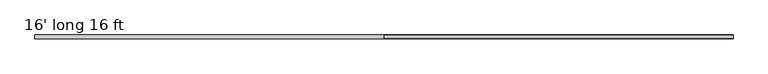
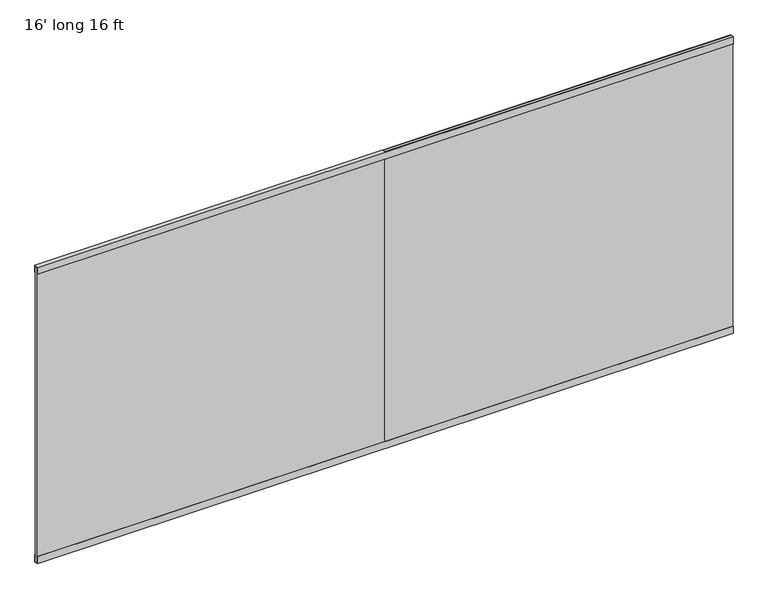
"""IFC4 building model written with IfcOpenShell, lengths in millimetres: furniture geometry, 16' long 16 ft."""

from ifc_helpers import new_model, si_unit, frame, origin, place, context, project, spatial, polyline, outline, extrude, source, transform, mapped, element, save


def furniture_16_long_16_ft_44b84df2(model_context):
    return source(origin(), model_context, "Body", "SweptSolid", [
        extrude(outline(polyline([(0.0, -19.4056), (0.0, 0.0), (2438.4, 0.0), (2438.4, -19.4056), (0.0, -19.4056)])), frame((2438.4, 9.7028, 2.9972), z_axis=(0.0, -2.1727820241093372e-12, 1.0), x_axis=(1.0, 0.0, 0.0)), (0.0, 0.0, 1.0), 2191.5628),
        extrude(outline(polyline([(2438.4, 9.7028), (2438.4, -9.7028), (0.0, -9.7028), (0.0, 9.7028), (2438.4, 9.7028)])), frame((0.0, 0.0, 2.9972), z_axis=(0.0, 0.0, 1.0), x_axis=(1.0, 0.0, 0.0)), (0.0, 0.0, 1.0), 2188.5656),
        extrude(outline(polyline([(-12.7, 2194.56), (12.7, 2194.56), (12.7, 2143.76), (9.7028, 2143.76), (9.7028, 2191.5628), (-9.7028, 2191.5628), (-9.7028, 2143.76), (-12.7, 2143.76), (-12.7, 2194.56)])), frame((0.0, 0.0, 0.0), z_axis=(1.0, 0.0, 0.0), x_axis=(0.0, 1.0, 0.0)), (0.0, 0.0, 1.0), 4876.8),
        extrude(outline(polyline([(-9.7028, 50.8), (-9.7028, 2.9972), (9.7028, 2.9972), (9.7028, 50.8), (12.7, 50.8), (12.7, 0.0), (-12.7, 0.0), (-12.7, 50.8), (-9.7028, 50.8)])), frame((0.0, 0.0, 0.0), z_axis=(1.0, 0.0, 0.0), x_axis=(0.0, 1.0, 0.0)), (0.0, 0.0, 1.0), 4876.8),
    ])


if __name__ == "__main__":
    model = new_model("IFC4")
    model_context = context("Model", 3, world=origin())
    ifc_project = project(units=[si_unit("LENGTHUNIT", "METRE", prefix="MILLI")], contexts=[model_context])
    site = spatial("IfcSite", under=ifc_project)
    building = spatial("IfcBuilding", under=site)
    placement = place(None, origin())
    furniture_16_long_16_ft_shape = furniture_16_long_16_ft_44b84df2(model_context)
    element("IfcFurniture", 1, ObjectType="16' long 16 ft", at=placement, inside=building, context=model_context, shape_type="MappedRepresentation", body=[
        mapped(furniture_16_long_16_ft_shape, transform((0.0, 0.0, 0.0), x_axis=(1.0, 0.0, 0.0), y_axis=(0.0, 1.0, 0.0), z_axis=(0.0, 0.0, 1.0))),
    ])
    save(model, "model.ifc")
